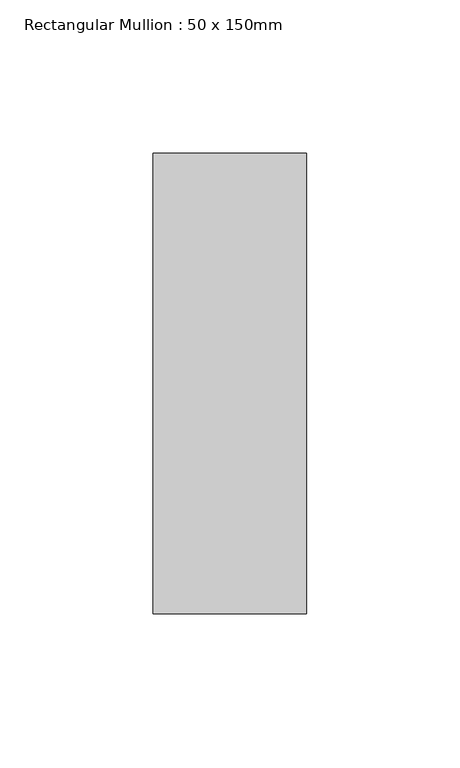
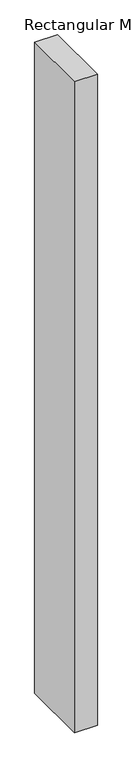
"""IFC4 building model written with IfcOpenShell, lengths in millimetres: member geometry, Rectangular Mullion : 50 x 150mm."""

from ifc_helpers import new_model, si_unit, frame, origin, place, context, project, spatial, polyline, outline, extrude, source, transform, mapped, element, save


def rectangular_mullion_50_x_150mm_0bd7bf22(model_context):
    return source(origin(), model_context, "Body", "SweptSolid", [
        extrude(outline(polyline([(0.0, 75.0), (0.0, -75.0), (-50.0, -75.0), (-50.0, 75.0), (0.0, 75.0)])), frame((0.0, 0.0, -1501.6915209), z_axis=(0.0, 0.0, 1.0), x_axis=(1.0, 0.0, 0.0)), (0.0, 0.0, 1.0), 1501.6915209),
    ])


if __name__ == "__main__":
    model = new_model("IFC4")
    model_context = context("Model", 3, world=origin())
    ifc_project = project(units=[si_unit("LENGTHUNIT", "METRE", prefix="MILLI")], contexts=[model_context])
    site = spatial("IfcSite", under=ifc_project)
    building = spatial("IfcBuilding", under=site)
    placement = place(None, origin())
    rectangular_mullion_50_x_150mm_shape = rectangular_mullion_50_x_150mm_0bd7bf22(model_context)
    element("IfcMember", 1, ObjectType="Rectangular Mullion : 50 x 150mm", at=placement, inside=building, context=model_context, shape_type="MappedRepresentation", body=[
        mapped(rectangular_mullion_50_x_150mm_shape, transform((0.0, 0.0, 0.0), x_axis=(1.0, 0.0, 0.0), y_axis=(0.0, 1.0, 0.0), z_axis=(0.0, 0.0, 1.0))),
    ])
    save(model, "model.ifc")
